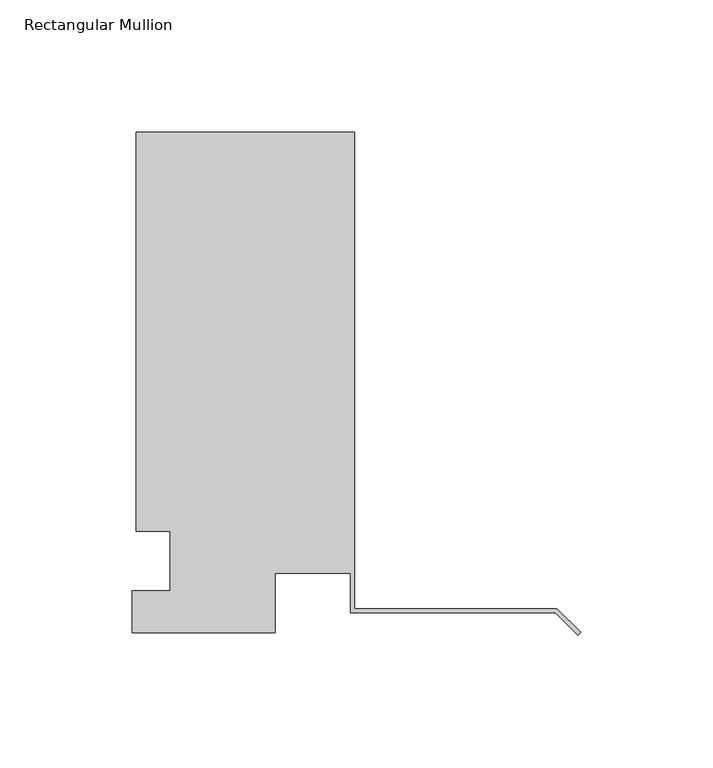
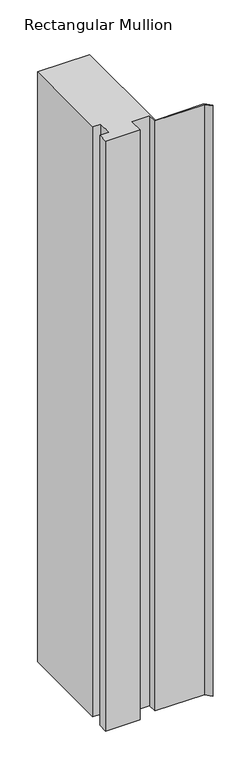
"""IFC4 building model written with IfcOpenShell, lengths in millimetres: member geometry, Rectangular Mullion."""

from ifc_helpers import new_model, si_unit, frame, origin, place, context, project, spatial, polyline, outline, extrude, source, transform, mapped, element, save


def rectangular_mullion_ac687764(model_context):
    return source(origin(), model_context, "Body", "SweptSolid", [
        extrude(outline(polyline([(-168.1144311, 150.9117188), (-85.5771311, 150.9117188), (-85.5771311, -29.1631889), (-8.9802561, -29.1631889), (0.0, -38.143445), (-1.122532, -39.2659771), (-9.6378202, -30.7506889), (-87.1646311, -30.7506889), (-87.1646311, -15.7757813), (-115.7396311, -15.7757813), (-115.7396311, -38.2547812), (-169.7146311, -38.2547812), (-169.7146311, -22.3797808), (-155.4271311, -22.3797808), (-155.4271311, 0.0992187), (-168.1144311, 0.0992188), (-168.1144311, 150.9117188)])), frame((0.0, 0.0, -984.0036226), z_axis=(0.0, 0.0, 1.0), x_axis=(1.0, 0.0, 0.0)), (0.0, 0.0, 1.0), 984.0036226),
    ])


if __name__ == "__main__":
    model = new_model("IFC4")
    model_context = context("Model", 3, world=origin())
    ifc_project = project(units=[si_unit("LENGTHUNIT", "METRE", prefix="MILLI")], contexts=[model_context])
    site = spatial("IfcSite", under=ifc_project)
    building = spatial("IfcBuilding", under=site)
    placement = place(None, origin())
    rectangular_mullion_shape = rectangular_mullion_ac687764(model_context)
    element("IfcMember", 1, ObjectType="Rectangular Mullion", at=placement, inside=building, context=model_context, shape_type="MappedRepresentation", body=[
        mapped(rectangular_mullion_shape, transform((0.0, 0.0, 0.0), x_axis=(1.0, 0.0, 0.0), y_axis=(0.0, 1.0, 0.0), z_axis=(0.0, 0.0, 1.0))),
    ])
    save(model, "model.ifc")
